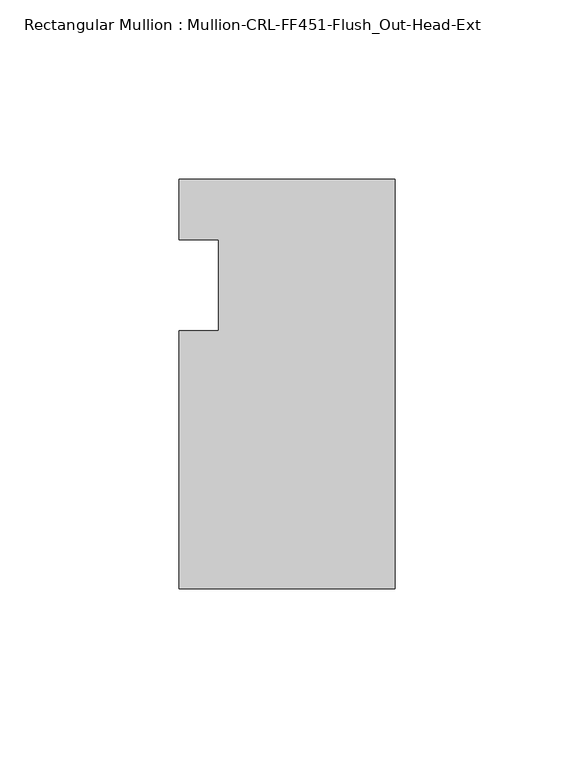
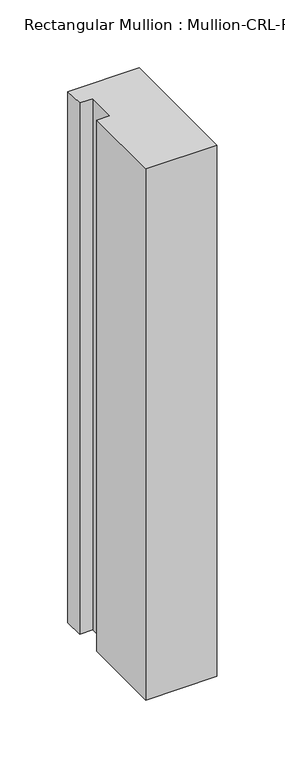
"""IFC4 building model written with IfcOpenShell, lengths in millimetres: member geometry, Rectangular Mullion : Mullion-CRL-FF451-Flush_Out-Head-Ext."""

from ifc_helpers import new_model, si_unit, frame, origin, place, context, project, spatial, polyline, outline, extrude, source, transform, mapped, element, save


def rectangular_mullion_mullion_crl_ff451_flush_out_head_ext_fd114ebc(model_context):
    return source(origin(), model_context, "Body", "SweptSolid", [
        extrude(outline(polyline([(0.0, -84.6650108), (-60.325, -84.6650108), (-60.325, -12.7), (-49.2125, -12.7), (-49.2125, 12.7), (-60.325, 12.7), (-60.325, 29.6349892), (0.0, 29.6349892), (0.0, -84.6650108)])), frame((0.0, 0.0, -476.9572465), z_axis=(0.0, 0.0, 1.0), x_axis=(1.0, 0.0, 0.0)), (0.0, 0.0, 1.0), 476.9572465),
    ])


if __name__ == "__main__":
    model = new_model("IFC4")
    model_context = context("Model", 3, world=origin())
    ifc_project = project(units=[si_unit("LENGTHUNIT", "METRE", prefix="MILLI")], contexts=[model_context])
    site = spatial("IfcSite", under=ifc_project)
    building = spatial("IfcBuilding", under=site)
    placement = place(None, origin())
    rectangular_mullion_mullion_crl_ff451_flush_out_head_ext_shape = rectangular_mullion_mullion_crl_ff451_flush_out_head_ext_fd114ebc(model_context)
    element("IfcMember", 1, ObjectType="Rectangular Mullion : Mullion-CRL-FF451-Flush_Out-Head-Ext", at=placement, inside=building, context=model_context, shape_type="MappedRepresentation", body=[
        mapped(rectangular_mullion_mullion_crl_ff451_flush_out_head_ext_shape, transform((0.0, 0.0, 0.0), x_axis=(1.0, 0.0, 0.0), y_axis=(0.0, 1.0, 0.0), z_axis=(0.0, 0.0, 1.0))),
    ])
    save(model, "model.ifc")
